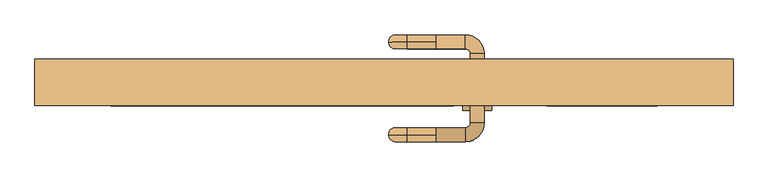
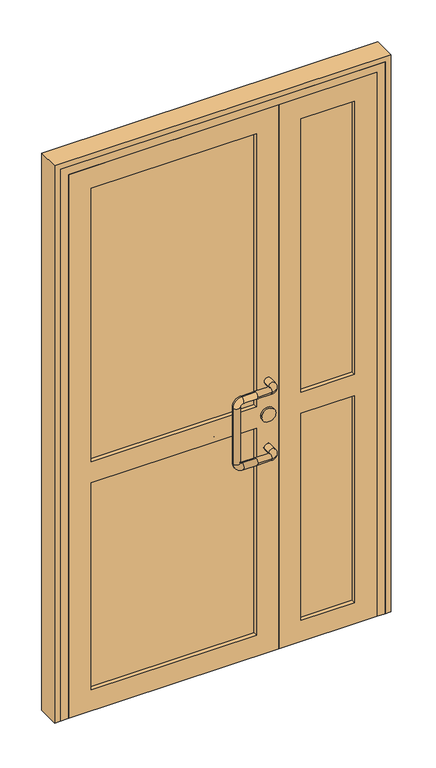
"""IFC4 building model written with IfcOpenShell, lengths in millimetres: door geometry."""

from ifc_helpers import new_model, si_unit, point, frame, frame_2d, origin, place, context, project, spatial, polyline, circle_curve, ellipse_curve, trimmed, segment, composite_curve, outline, extrude, faceted_brep, source, transform, mapped, element, save
from ifc_brep_helpers import cylinder_surface, revolved_surface, advanced_brep


def door_a38d1df7(model_context):
    return source(origin(), model_context, "Body", "SolidModel", [
        advanced_brep(
        [(90.0, -207.0, 1025.0), (140.0, -207.0, 1025.0), (140.0, -183.0, 1025.0), (90.0, -183.0, 1025.0), (90.0, -195.0, 1037.0), (90.0, -195.0, 1013.0), (172.0, -175.0, 1025.0), (148.0, -175.0, 1025.0), (172.0, -55.0, 1025.0), (148.0, -55.0, 1025.0), (140.0, -23.0, 1025.0), (140.0, -47.0, 1025.0), (90.0, -23.0, 1025.0), (90.0, -35.0, 1037.0), (90.0, -47.0, 1025.0), (90.0, -35.0, 1013.0), (40.0, -195.0, 1013.0), (40.0, -195.0, 1037.0), (32.0, -195.0, 1005.0), (8.0, -195.0, 1005.0), (32.0, -195.0, 795.0), (8.0, -195.0, 795.0), (40.0, -195.0, 787.0), (40.0, -195.0, 763.0), (90.0, -195.0, 787.0), (90.0, -183.0, 775.0), (90.0, -195.0, 763.0), (90.0, -207.0, 775.0), (140.0, -207.0, 775.0), (140.0, -183.0, 775.0), (172.0, -175.0, 775.0), (148.0, -175.0, 775.0), (172.0, -55.0, 775.0), (148.0, -55.0, 775.0), (140.0, -23.0, 775.0), (140.0, -47.0, 775.0), (90.0, -23.0, 775.0), (90.0, -35.0, 787.0), (90.0, -47.0, 775.0), (90.0, -35.0, 763.0), (40.0, -35.0, 1013.0), (40.0, -35.0, 1037.0), (32.0, -35.0, 1005.0), (8.0, -35.0, 1005.0), (32.0, -35.0, 795.0), (8.0, -35.0, 795.0), (40.0, -35.0, 787.0), (40.0, -35.0, 763.0)],
        [
            (0, 1),
            (1, 2, circle_curve(frame((140.0, -195.0, 1025.0), z_axis=(-1.0, 0.0, 0.0), x_axis=(0.0, 1.0, 0.0)), 12.0)),
            (2, 3),
            (3, 4, circle_curve(frame((90.0, -195.0, 1025.0), z_axis=(1.0, 0.0, 0.0), x_axis=(0.0, 1.0, 0.0)), 12.0)),
            (4, 0, circle_curve(frame((90.0, -195.0, 1025.0), z_axis=(1.0, 0.0, 0.0), x_axis=(0.0, 1.0, 0.0)), 12.0)),
            (0, 5, circle_curve(frame((90.0, -195.0, 1025.0), z_axis=(1.0, 0.0, 0.0), x_axis=(0.0, 1.0, 0.0)), 12.0)),
            (5, 3, circle_curve(frame((90.0, -195.0, 1025.0), z_axis=(1.0, 0.0, 0.0), x_axis=(0.0, 1.0, 0.0)), 12.0)),
            (2, 1, circle_curve(frame((140.0, -195.0, 1025.0), z_axis=(-1.0, 0.0, 0.0), x_axis=(0.0, 1.0, 0.0)), 12.0)),
            (1, 6, circle_curve(frame((140.0, -175.0, 1025.0), z_axis=(0.0, 0.0, 1.0), x_axis=(0.0, -1.0, 0.0)), 32.0)),
            (6, 7, circle_curve(frame((160.0, -175.0, 1025.0), z_axis=(0.0, -1.0, 0.0), x_axis=(-1.0, 0.0, 0.0)), 12.0)),
            (7, 2, circle_curve(frame((140.0, -175.0, 1025.0), z_axis=(0.0, 0.0, -1.0), x_axis=(0.0, -1.0, 0.0)), 8.0)),
            (7, 6, circle_curve(frame((160.0, -175.0, 1025.0), z_axis=(0.0, -1.0, 0.0), x_axis=(-1.0, 0.0, 0.0)), 12.0)),
            (6, 8),
            (8, 9, circle_curve(frame((160.0, -55.0, 1025.0), z_axis=(0.0, -1.0, 0.0), x_axis=(-1.0, 0.0, 0.0)), 12.0)),
            (9, 7),
            (9, 8, circle_curve(frame((160.0, -55.0, 1025.0), z_axis=(0.0, -1.0, 0.0), x_axis=(-1.0, 0.0, 0.0)), 12.0)),
            (8, 10, circle_curve(frame((140.0, -55.0, 1025.0), z_axis=(0.0, 0.0, 1.0), x_axis=(1.0, 0.0, 0.0)), 32.0)),
            (10, 11, circle_curve(frame((140.0, -35.0, 1025.0), z_axis=(1.0, 0.0, 0.0), x_axis=(0.0, -1.0, 0.0)), 12.0)),
            (11, 9, circle_curve(frame((140.0, -55.0, 1025.0), z_axis=(0.0, 0.0, -1.0), x_axis=(1.0, 0.0, 0.0)), 8.0)),
            (11, 10, circle_curve(frame((140.0, -35.0, 1025.0), z_axis=(1.0, 0.0, 0.0), x_axis=(0.0, -1.0, 0.0)), 12.0)),
            (10, 12),
            (12, 13, circle_curve(frame((90.0, -35.0, 1025.0), z_axis=(1.0, 0.0, 0.0), x_axis=(0.0, -1.0, 0.0)), 12.0)),
            (13, 14, circle_curve(frame((90.0, -35.0, 1025.0), z_axis=(1.0, 0.0, 0.0), x_axis=(0.0, -1.0, 0.0)), 12.0)),
            (14, 11),
            (14, 15, circle_curve(frame((90.0, -35.0, 1025.0), z_axis=(1.0, 0.0, 0.0), x_axis=(0.0, -1.0, 0.0)), 12.0)),
            (15, 12, circle_curve(frame((90.0, -35.0, 1025.0), z_axis=(1.0, 0.0, 0.0), x_axis=(0.0, -1.0, 0.0)), 12.0)),
            (5, 16),
            (16, 17, circle_curve(frame((40.0, -195.0, 1025.0), z_axis=(1.0, 0.0, 0.0), x_axis=(0.0, 0.0, 1.0)), 12.0)),
            (17, 4),
            (17, 16, circle_curve(frame((40.0, -195.0, 1025.0), z_axis=(1.0, 0.0, 0.0), x_axis=(0.0, 0.0, 1.0)), 12.0)),
            (16, 18, circle_curve(frame((40.0, -195.0, 1005.0), z_axis=(0.0, -1.0, 0.0), x_axis=(0.0, 0.0, 1.0)), 8.0)),
            (18, 19, circle_curve(frame((20.0, -195.0, 1005.0), z_axis=(0.0, 0.0, 1.0), x_axis=(-1.0, 0.0, 0.0)), 12.0)),
            (19, 17, circle_curve(frame((40.0, -195.0, 1005.0), z_axis=(0.0, 1.0, 0.0), x_axis=(0.0, 0.0, 1.0)), 32.0)),
            (19, 18, circle_curve(frame((20.0, -195.0, 1005.0), z_axis=(0.0, 0.0, 1.0), x_axis=(-1.0, 0.0, 0.0)), 12.0)),
            (18, 20),
            (20, 21, circle_curve(frame((20.0, -195.0, 795.0), z_axis=(0.0, 0.0, 1.0), x_axis=(-1.0, 0.0, 0.0)), 12.0)),
            (21, 19),
            (21, 20, circle_curve(frame((20.0, -195.0, 795.0), z_axis=(0.0, 0.0, 1.0), x_axis=(-1.0, 0.0, 0.0)), 12.0)),
            (20, 22, circle_curve(frame((40.0, -195.0, 795.0), z_axis=(0.0, -1.0, 0.0), x_axis=(-1.0, 0.0, 0.0)), 8.0)),
            (22, 23, circle_curve(frame((40.0, -195.0, 775.0), z_axis=(-1.0, 0.0, 0.0), x_axis=(0.0, 0.0, -1.0)), 12.0)),
            (23, 21, circle_curve(frame((40.0, -195.0, 795.0), z_axis=(0.0, 1.0, 0.0), x_axis=(-1.0, 0.0, 0.0)), 32.0)),
            (23, 22, circle_curve(frame((40.0, -195.0, 775.0), z_axis=(-1.0, 0.0, 0.0), x_axis=(0.0, 0.0, -1.0)), 12.0)),
            (22, 24),
            (24, 25, circle_curve(frame((90.0, -195.0, 775.0), z_axis=(-1.0, 0.0, 0.0), x_axis=(0.0, 0.0, -1.0)), 12.0)),
            (25, 26, circle_curve(frame((90.0, -195.0, 775.0), z_axis=(-1.0, 0.0, 0.0), x_axis=(0.0, 0.0, -1.0)), 12.0)),
            (26, 23),
            (26, 27, circle_curve(frame((90.0, -195.0, 775.0), z_axis=(-1.0, 0.0, 0.0), x_axis=(0.0, 0.0, -1.0)), 12.0)),
            (27, 24, circle_curve(frame((90.0, -195.0, 775.0), z_axis=(-1.0, 0.0, 0.0), x_axis=(0.0, 0.0, -1.0)), 12.0)),
            (27, 28),
            (28, 29, circle_curve(frame((140.0, -195.0, 775.0), z_axis=(-1.0, 0.0, 0.0), x_axis=(0.0, 1.0, 0.0)), 12.0)),
            (29, 25),
            (29, 28, circle_curve(frame((140.0, -195.0, 775.0), z_axis=(-1.0, 0.0, 0.0), x_axis=(0.0, 1.0, 0.0)), 12.0)),
            (28, 30, circle_curve(frame((140.0, -175.0, 775.0), z_axis=(0.0, 0.0, 1.0), x_axis=(0.0, -1.0, 0.0)), 32.0)),
            (30, 31, circle_curve(frame((160.0, -175.0, 775.0), z_axis=(0.0, -1.0, 0.0), x_axis=(-1.0, 0.0, 0.0)), 12.0)),
            (31, 29, circle_curve(frame((140.0, -175.0, 775.0), z_axis=(0.0, 0.0, -1.0), x_axis=(0.0, -1.0, 0.0)), 8.0)),
            (31, 30, circle_curve(frame((160.0, -175.0, 775.0), z_axis=(0.0, -1.0, 0.0), x_axis=(-1.0, 0.0, 0.0)), 12.0)),
            (30, 32),
            (32, 33, circle_curve(frame((160.0, -55.0, 775.0), z_axis=(0.0, -1.0, 0.0), x_axis=(-1.0, 0.0, 0.0)), 12.0)),
            (33, 31),
            (33, 32, circle_curve(frame((160.0, -55.0, 775.0), z_axis=(0.0, -1.0, 0.0), x_axis=(-1.0, 0.0, 0.0)), 12.0)),
            (32, 34, circle_curve(frame((140.0, -55.0, 775.0), z_axis=(0.0, 0.0, 1.0), x_axis=(1.0, 0.0, 0.0)), 32.0)),
            (34, 35, circle_curve(frame((140.0, -35.0, 775.0), z_axis=(1.0, 0.0, 0.0), x_axis=(0.0, -1.0, 0.0)), 12.0)),
            (35, 33, circle_curve(frame((140.0, -55.0, 775.0), z_axis=(0.0, 0.0, -1.0), x_axis=(1.0, 0.0, 0.0)), 8.0)),
            (35, 34, circle_curve(frame((140.0, -35.0, 775.0), z_axis=(1.0, 0.0, 0.0), x_axis=(0.0, -1.0, 0.0)), 12.0)),
            (34, 36),
            (36, 37, circle_curve(frame((90.0, -35.0, 775.0), z_axis=(1.0, 0.0, 0.0), x_axis=(0.0, -1.0, 0.0)), 12.0)),
            (37, 38, circle_curve(frame((90.0, -35.0, 775.0), z_axis=(1.0, 0.0, 0.0), x_axis=(0.0, -1.0, 0.0)), 12.0)),
            (38, 35),
            (38, 39, circle_curve(frame((90.0, -35.0, 775.0), z_axis=(1.0, 0.0, 0.0), x_axis=(0.0, -1.0, 0.0)), 12.0)),
            (39, 36, circle_curve(frame((90.0, -35.0, 775.0), z_axis=(1.0, 0.0, 0.0), x_axis=(0.0, -1.0, 0.0)), 12.0)),
            (15, 40),
            (40, 41, circle_curve(frame((40.0, -35.0, 1025.0), z_axis=(1.0, 0.0, 0.0), x_axis=(0.0, 0.0, 1.0)), 12.0)),
            (41, 13),
            (41, 40, circle_curve(frame((40.0, -35.0, 1025.0), z_axis=(1.0, 0.0, 0.0), x_axis=(0.0, 0.0, 1.0)), 12.0)),
            (40, 42, circle_curve(frame((40.0, -35.0, 1005.0), z_axis=(0.0, -1.0, 0.0), x_axis=(0.0, 0.0, 1.0)), 8.0)),
            (42, 43, circle_curve(frame((20.0, -35.0, 1005.0), z_axis=(0.0, 0.0, 1.0), x_axis=(-1.0, 0.0, 0.0)), 12.0)),
            (43, 41, circle_curve(frame((40.0, -35.0, 1005.0), z_axis=(0.0, 1.0, 0.0), x_axis=(0.0, 0.0, 1.0)), 32.0)),
            (43, 42, circle_curve(frame((20.0, -35.0, 1005.0), z_axis=(0.0, 0.0, 1.0), x_axis=(-1.0, 0.0, 0.0)), 12.0)),
            (42, 44),
            (44, 45, circle_curve(frame((20.0, -35.0, 795.0), z_axis=(0.0, 0.0, 1.0), x_axis=(-1.0, 0.0, 0.0)), 12.0)),
            (45, 43),
            (45, 44, circle_curve(frame((20.0, -35.0, 795.0), z_axis=(0.0, 0.0, 1.0), x_axis=(-1.0, 0.0, 0.0)), 12.0)),
            (44, 46, circle_curve(frame((40.0, -35.0, 795.0), z_axis=(0.0, -1.0, 0.0), x_axis=(-1.0, 0.0, 0.0)), 8.0)),
            (46, 47, circle_curve(frame((40.0, -35.0, 775.0), z_axis=(-1.0, 0.0, 0.0), x_axis=(0.0, 0.0, -1.0)), 12.0)),
            (47, 45, circle_curve(frame((40.0, -35.0, 795.0), z_axis=(0.0, 1.0, 0.0), x_axis=(-1.0, 0.0, 0.0)), 32.0)),
            (47, 46, circle_curve(frame((40.0, -35.0, 775.0), z_axis=(-1.0, 0.0, 0.0), x_axis=(0.0, 0.0, -1.0)), 12.0)),
            (46, 37),
            (39, 47),
        ],
        [
            cylinder_surface(frame((90.0, -195.0, 1025.0), z_axis=(-1.0, 0.0, 0.0), x_axis=(0.0, 1.0, 0.0)), 12.0),
            revolved_surface(trimmed(ellipse_curve(frame((140.0, -195.0, 1025.0), z_axis=(-1.0, 0.0, 0.0), x_axis=(0.0, 1.0, 0.0)), 12.0, 12.0), [point((140.0, -207.0, 1025.0))], [point((140.0, -183.0, 1025.0))], True, "CARTESIAN"), (140.0, -175.0, 1025.0), (0.0, 0.0, 1.0)),
            revolved_surface(trimmed(ellipse_curve(frame((140.0, -195.0, 1025.0), z_axis=(-1.0, 0.0, 0.0), x_axis=(0.0, 1.0, 0.0)), 12.0, 12.0), [point((140.0, -183.0, 1025.0))], [point((140.0, -207.0, 1025.0))], True, "CARTESIAN"), (140.0, -175.0, 1025.0), (0.0, 0.0, 1.0)),
            cylinder_surface(frame((160.0, -175.0, 1025.0), z_axis=(0.0, -1.0, 0.0), x_axis=(-1.0, 0.0, 0.0)), 12.0),
            revolved_surface(trimmed(ellipse_curve(frame((160.0, -55.0, 1025.0), z_axis=(0.0, -1.0, 0.0), x_axis=(-1.0, 0.0, 0.0)), 12.0, 12.0), [point((172.0, -55.0, 1025.0))], [point((148.0, -55.0, 1025.0))], True, "CARTESIAN"), (140.0, -55.0, 1025.0), (0.0, 0.0, 1.0)),
            revolved_surface(trimmed(ellipse_curve(frame((160.0, -55.0, 1025.0), z_axis=(0.0, -1.0, 0.0), x_axis=(-1.0, 0.0, 0.0)), 12.0, 12.0), [point((148.0, -55.0, 1025.0))], [point((172.0, -55.0, 1025.0))], True, "CARTESIAN"), (140.0, -55.0, 1025.0), (0.0, 0.0, 1.0)),
            cylinder_surface(frame((140.0, -35.0, 1025.0), z_axis=(1.0, 0.0, 0.0), x_axis=(0.0, -1.0, 0.0)), 12.0),
            cylinder_surface(frame((90.0, -195.0, 1025.0), z_axis=(1.0, 0.0, 0.0), x_axis=(0.0, 0.0, 1.0)), 12.0),
            revolved_surface(trimmed(ellipse_curve(frame((40.0, -195.0, 1025.0), z_axis=(1.0, 0.0, 0.0), x_axis=(0.0, 0.0, 1.0)), 12.0, 12.0), [point((40.0, -195.0, 1013.0))], [point((40.0, -195.0, 1037.0))], True, "CARTESIAN"), (40.0, -195.0, 1005.0), (0.0, -1.0, 0.0)),
            revolved_surface(trimmed(ellipse_curve(frame((40.0, -195.0, 1025.0), z_axis=(1.0, 0.0, 0.0), x_axis=(0.0, 0.0, 1.0)), 12.0, 12.0), [point((40.0, -195.0, 1037.0))], [point((40.0, -195.0, 1013.0))], True, "CARTESIAN"), (40.0, -195.0, 1005.0), (0.0, -1.0, 0.0)),
            cylinder_surface(frame((20.0, -195.0, 1005.0), z_axis=(0.0, 0.0, 1.0), x_axis=(-1.0, 0.0, 0.0)), 12.0),
            revolved_surface(trimmed(ellipse_curve(frame((20.0, -195.0, 795.0), z_axis=(0.0, 0.0, 1.0), x_axis=(-1.0, 0.0, 0.0)), 12.0, 12.0), [point((32.0, -195.0, 795.0))], [point((8.0, -195.0, 795.0))], True, "CARTESIAN"), (40.0, -195.0, 795.0), (0.0, -1.0, 0.0)),
            revolved_surface(trimmed(ellipse_curve(frame((20.0, -195.0, 795.0), z_axis=(0.0, 0.0, 1.0), x_axis=(-1.0, 0.0, 0.0)), 12.0, 12.0), [point((8.0, -195.0, 795.0))], [point((32.0, -195.0, 795.0))], True, "CARTESIAN"), (40.0, -195.0, 795.0), (0.0, -1.0, 0.0)),
            cylinder_surface(frame((40.0, -195.0, 775.0), z_axis=(-1.0, 0.0, 0.0), x_axis=(0.0, 0.0, -1.0)), 12.0),
            cylinder_surface(frame((90.0, -195.0, 775.0), z_axis=(-1.0, 0.0, 0.0), x_axis=(0.0, 1.0, 0.0)), 12.0),
            revolved_surface(trimmed(ellipse_curve(frame((140.0, -195.0, 775.0), z_axis=(-1.0, 0.0, 0.0), x_axis=(0.0, 1.0, 0.0)), 12.0, 12.0), [point((140.0, -207.0, 775.0))], [point((140.0, -183.0, 775.0))], True, "CARTESIAN"), (140.0, -175.0, 775.0), (0.0, 0.0, 1.0)),
            revolved_surface(trimmed(ellipse_curve(frame((140.0, -195.0, 775.0), z_axis=(-1.0, 0.0, 0.0), x_axis=(0.0, 1.0, 0.0)), 12.0, 12.0), [point((140.0, -183.0, 775.0))], [point((140.0, -207.0, 775.0))], True, "CARTESIAN"), (140.0, -175.0, 775.0), (0.0, 0.0, 1.0)),
            cylinder_surface(frame((160.0, -175.0, 775.0), z_axis=(0.0, -1.0, 0.0), x_axis=(-1.0, 0.0, 0.0)), 12.0),
            revolved_surface(trimmed(ellipse_curve(frame((160.0, -55.0, 775.0), z_axis=(0.0, -1.0, 0.0), x_axis=(-1.0, 0.0, 0.0)), 12.0, 12.0), [point((172.0, -55.0, 775.0))], [point((148.0, -55.0, 775.0))], True, "CARTESIAN"), (140.0, -55.0, 775.0), (0.0, 0.0, 1.0)),
            revolved_surface(trimmed(ellipse_curve(frame((160.0, -55.0, 775.0), z_axis=(0.0, -1.0, 0.0), x_axis=(-1.0, 0.0, 0.0)), 12.0, 12.0), [point((148.0, -55.0, 775.0))], [point((172.0, -55.0, 775.0))], True, "CARTESIAN"), (140.0, -55.0, 775.0), (0.0, 0.0, 1.0)),
            cylinder_surface(frame((140.0, -35.0, 775.0), z_axis=(1.0, 0.0, 0.0), x_axis=(0.0, -1.0, 0.0)), 12.0),
            cylinder_surface(frame((90.0, -35.0, 1025.0), z_axis=(1.0, 0.0, 0.0), x_axis=(0.0, 0.0, 1.0)), 12.0),
            revolved_surface(trimmed(ellipse_curve(frame((40.0, -35.0, 1025.0), z_axis=(1.0, 0.0, 0.0), x_axis=(0.0, 0.0, 1.0)), 12.0, 12.0), [point((40.0, -35.0, 1013.0))], [point((40.0, -35.0, 1037.0))], True, "CARTESIAN"), (40.0, -35.0, 1005.0), (0.0, -1.0, 0.0)),
            revolved_surface(trimmed(ellipse_curve(frame((40.0, -35.0, 1025.0), z_axis=(1.0, 0.0, 0.0), x_axis=(0.0, 0.0, 1.0)), 12.0, 12.0), [point((40.0, -35.0, 1037.0))], [point((40.0, -35.0, 1013.0))], True, "CARTESIAN"), (40.0, -35.0, 1005.0), (0.0, -1.0, 0.0)),
            cylinder_surface(frame((20.0, -35.0, 1005.0), z_axis=(0.0, 0.0, 1.0), x_axis=(-1.0, 0.0, 0.0)), 12.0),
            revolved_surface(trimmed(ellipse_curve(frame((20.0, -35.0, 795.0), z_axis=(0.0, 0.0, 1.0), x_axis=(-1.0, 0.0, 0.0)), 12.0, 12.0), [point((32.0, -35.0, 795.0))], [point((8.0, -35.0, 795.0))], True, "CARTESIAN"), (40.0, -35.0, 795.0), (0.0, -1.0, 0.0)),
            revolved_surface(trimmed(ellipse_curve(frame((20.0, -35.0, 795.0), z_axis=(0.0, 0.0, 1.0), x_axis=(-1.0, 0.0, 0.0)), 12.0, 12.0), [point((8.0, -35.0, 795.0))], [point((32.0, -35.0, 795.0))], True, "CARTESIAN"), (40.0, -35.0, 795.0), (0.0, -1.0, 0.0)),
            cylinder_surface(frame((40.0, -35.0, 775.0), z_axis=(-1.0, 0.0, 0.0), x_axis=(0.0, 0.0, -1.0)), 12.0),
        ],
        [
            (0, [[1, 2, 3, 4, 5]]),
            (0, [[-1, 6, 7, -3, 8]]),
            (1, [[-2, 9, 10, 11]]),
            (2, [[-8, -11, 12, -9]]),
            (3, [[-10, 13, 14, 15]]),
            (3, [[-12, -15, 16, -13]]),
            (4, [[-14, 17, 18, 19]]),
            (5, [[-16, -19, 20, -17]]),
            (6, [[-18, 21, 22, 23, 24]]),
            (6, [[-20, -24, 25, 26, -21]]),
            (7, [[27, 28, 29, -4, -7]]),
            (7, [[-27, -6, -5, -29, 30]]),
            (8, [[-28, 31, 32, 33]]),
            (9, [[-30, -33, 34, -31]]),
            (10, [[-32, 35, 36, 37]]),
            (10, [[-34, -37, 38, -35]]),
            (11, [[-36, 39, 40, 41]]),
            (12, [[-38, -41, 42, -39]]),
            (13, [[-40, 43, 44, 45, 46]]),
            (13, [[-42, -46, 47, 48, -43]]),
            (14, [[49, 50, 51, -44, -48]]),
            (14, [[-49, -47, -45, -51, 52]]),
            (15, [[-50, 53, 54, 55]]),
            (16, [[-52, -55, 56, -53]]),
            (17, [[-54, 57, 58, 59]]),
            (17, [[-56, -59, 60, -57]]),
            (18, [[-58, 61, 62, 63]]),
            (19, [[-60, -63, 64, -61]]),
            (20, [[-62, 65, 66, 67, 68]]),
            (20, [[-64, -68, 69, 70, -65]]),
            (21, [[71, 72, 73, -22, -26]]),
            (21, [[-71, -25, -23, -73, 74]]),
            (22, [[-72, 75, 76, 77]]),
            (23, [[-74, -77, 78, -75]]),
            (24, [[-76, 79, 80, 81]]),
            (24, [[-78, -81, 82, -79]]),
            (25, [[-80, 83, 84, 85]]),
            (26, [[-82, -85, 86, -83]]),
            (27, [[-84, 87, -66, -70, 88]]),
            (27, [[-86, -88, -69, -67, -87]]),
        ],
    ),
        extrude(outline(composite_curve([segment(trimmed(circle_curve(frame_2d((900.0, 160.0)), 25.0), [point((900.0, 185.0))], [point((900.0, 135.0))], False, "CARTESIAN"), True, "CONTINUOUS"), segment(trimmed(circle_curve(frame_2d((900.0, 160.0)), 25.0), [point((900.0, 135.0))], [point((900.0, 185.0))], False, "CARTESIAN"), True, "CONTINUOUS")], self_intersect=False)), frame((0.0, -153.0, 0.0), z_axis=(0.0, 1.0, 0.0), x_axis=(0.0, 0.0, 1.0)), (0.0, 0.0, 1.0), 76.0),
        extrude(outline(polyline([(-470.0, -130.0), (-470.0, -100.0), (120.0, -100.0), (120.0, -130.0), (-470.0, -130.0)])), frame((0.0, 0.0, 80.0), z_axis=(0.0, 0.0, 1.0), x_axis=(1.0, 0.0, 0.0)), (0.0, 0.0, 1.0), 1890.0),
        extrude(outline(polyline([(2050.0, 200.0), (2050.0, -550.0), (0.0, -550.0), (0.0, 200.0), (2050.0, 200.0)]), holes=[polyline([(940.0, -470.0), (1970.0, -470.0), (1970.0, 120.0), (940.0, 120.0), (940.0, -470.0)]), polyline([(80.0, 120.0), (80.0, -470.0), (860.0, -470.0), (860.0, 120.0), (80.0, 120.0)])]), frame((0.0, -145.0, 0.0), z_axis=(0.0, 1.0, 0.0), x_axis=(0.0, 0.0, 1.0)), (0.0, 0.0, 1.0), 60.0),
        extrude(outline(polyline([(280.0, -130.0), (280.0, -100.0), (470.0, -100.0), (470.0, -130.0), (280.0, -130.0)])), frame((0.0, 0.0, 80.0), z_axis=(0.0, 0.0, 1.0), x_axis=(1.0, 0.0, 0.0)), (0.0, 0.0, 1.0), 1890.0),
        extrude(outline(polyline([(2050.0, 550.0), (2050.0, 200.0), (0.0, 200.0), (0.0, 550.0), (2050.0, 550.0)]), holes=[polyline([(940.0, 280.0), (1970.0, 280.0), (1970.0, 470.0), (940.0, 470.0), (940.0, 280.0)]), polyline([(80.0, 470.0), (80.0, 280.0), (860.0, 280.0), (860.0, 470.0), (80.0, 470.0)])]), frame((0.0, -145.0, 0.0), z_axis=(0.0, 1.0, 0.0), x_axis=(0.0, 0.0, 1.0)), (0.0, 0.0, 1.0), 60.0),
        extrude(outline(polyline([(0.0, 600.0), (2100.0, 600.0), (2100.0, -600.0), (0.0, -600.0), (0.0, -580.0), (2080.0, -580.0), (2080.0, 580.0), (0.0, 580.0), (0.0, 600.0)])), frame((0.0, -145.0, 0.0), z_axis=(0.0, 1.0, 0.0), x_axis=(0.0, 0.0, 1.0)), (0.0, 0.0, 1.0), 80.0),
        faceted_brep([(-580.0, -65.0, 0.0), (-540.0, -65.0, 0.0), (-540.0, -85.0, 0.0), (-550.0, -85.0, 0.0), (-550.0, -145.0, 0.0), (-580.0, -145.0, 0.0), (-580.0, -145.0, 2080.0), (-580.0, -65.0, 2080.0), (-550.0, -145.0, 2050.0), (550.0, -145.0, 2050.0), (550.0, -145.0, 0.0), (580.0, -145.0, 0.0), (580.0, -145.0, 2080.0), (-550.0, -85.0, 2050.0), (-540.0, -85.0, 2040.0), (540.0, -85.0, 2040.0), (540.0, -85.0, 0.0), (550.0, -85.0, 0.0), (550.0, -85.0, 2050.0), (-540.0, -65.0, 2040.0), (580.0, -65.0, 2080.0), (580.0, -65.0, 0.0), (540.0, -65.0, 0.0), (540.0, -65.0, 2040.0)], [[[0, 1, 2, 3, 4, 5]], [[5, 6, 7, 0]], [[4, 8, 9, 10, 11, 12, 6, 5]], [[3, 13, 8, 4]], [[2, 14, 15, 16, 17, 18, 13, 3]], [[1, 19, 14, 2]], [[0, 7, 20, 21, 22, 23, 19, 1]], [[6, 12, 20, 7]], [[13, 18, 9, 8]], [[19, 23, 15, 14]], [[21, 11, 10, 17, 16, 22]], [[12, 11, 21, 20]], [[18, 17, 10, 9]], [[23, 22, 16, 15]]]),
    ])


if __name__ == "__main__":
    model = new_model("IFC4")
    model_context = context("Model", 3, world=origin())
    ifc_project = project(units=[si_unit("LENGTHUNIT", "METRE", prefix="MILLI")], contexts=[model_context])
    site = spatial("IfcSite", under=ifc_project)
    building = spatial("IfcBuilding", under=site)
    placement = place(None, origin())
    door_shape = door_a38d1df7(model_context)
    element("IfcDoor", 1, at=placement, inside=building, context=model_context, shape_type="MappedRepresentation", body=[
        mapped(door_shape, transform((0.0, 0.0, 0.0), x_axis=(1.0, 0.0, 0.0), y_axis=(0.0, 1.0, 0.0), z_axis=(0.0, 0.0, 1.0))),
    ])
    save(model, "model.ifc")
